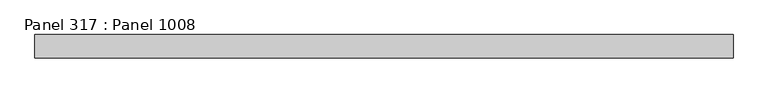
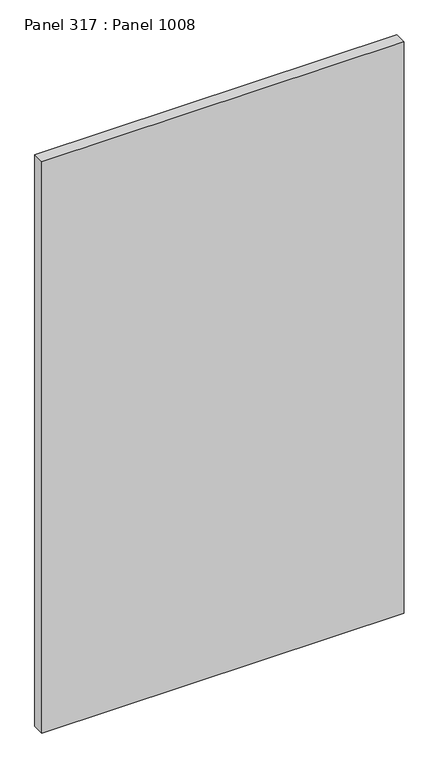
"""IFC4 building model written with IfcOpenShell, lengths in millimetres: proxy geometry, Panel 317 : Panel 1008."""

from ifc_helpers import new_model, si_unit, frame, origin, place, context, project, spatial, polyline, outline, extrude, source, transform, mapped, element, save


def panel_317_panel_1008_90a53a23(model_context):
    return source(origin(), model_context, "Body", "SweptSolid", [
        extrude(outline(polyline([(30667.4758364, 328855.7856378), (30667.475836, 328905.7856799), (32167.4758461, 328905.785626), (32167.4758465, 328855.7855839), (30667.4758364, 328855.7856378)])), frame((0.0, 0.0, 34575.0), z_axis=(0.0, 0.0, 1.0), x_axis=(1.0, 0.0, 0.0)), (0.0, 0.0, 1.0), 2500.0),
    ])


if __name__ == "__main__":
    model = new_model("IFC4")
    model_context = context("Model", 3, world=origin())
    ifc_project = project(units=[si_unit("LENGTHUNIT", "METRE", prefix="MILLI")], contexts=[model_context])
    site = spatial("IfcSite", under=ifc_project)
    building = spatial("IfcBuilding", under=site)
    placement = place(None, origin())
    panel_317_panel_1008_shape = panel_317_panel_1008_90a53a23(model_context)
    element("IfcBuildingElementProxy", 1, Name="Panel 317 : Panel 1008", ObjectType="Panel 317 : Panel 1008", at=placement, inside=building, context=model_context, shape_type="MappedRepresentation", body=[
        mapped(panel_317_panel_1008_shape, transform((0.0, 0.0, 0.0), x_axis=(1.0, 0.0, 0.0), y_axis=(0.0, 1.0, 0.0), z_axis=(0.0, 0.0, 1.0))),
    ])
    save(model, "model.ifc")
